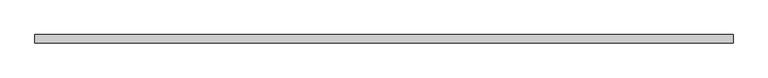
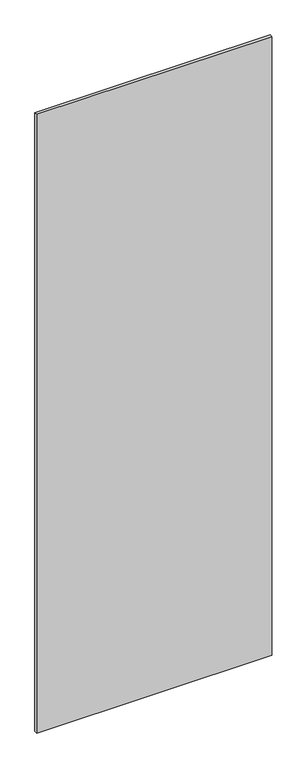
"""IFC4 building model written with IfcOpenShell, lengths in millimetres: plate geometry."""

from ifc_helpers import new_model, si_unit, origin, origin_with_axes, place, context, project, spatial, polyline, outline, extrude, source, transform, mapped, element, save


def plate_731f4368(model_context):
    return source(origin(), model_context, "Body", "SweptSolid", [
        extrude(outline(polyline([(533.4, -26.9875), (-533.4, -26.9875), (-533.4, -14.2875), (533.4, -14.2875), (533.4, -26.9875)])), origin_with_axes(), (0.0, 0.0, 1.0), 2965.45),
    ])


if __name__ == "__main__":
    model = new_model("IFC4")
    model_context = context("Model", 3, world=origin())
    ifc_project = project(units=[si_unit("LENGTHUNIT", "METRE", prefix="MILLI")], contexts=[model_context])
    site = spatial("IfcSite", under=ifc_project)
    building = spatial("IfcBuilding", under=site)
    placement = place(None, origin())
    plate_shape = plate_731f4368(model_context)
    element("IfcPlate", 1, at=placement, inside=building, context=model_context, shape_type="MappedRepresentation", body=[
        mapped(plate_shape, transform((0.0, 0.0, 0.0), x_axis=(1.0, 0.0, 0.0), y_axis=(0.0, 1.0, 0.0), z_axis=(0.0, 0.0, 1.0))),
    ])
    save(model, "model.ifc")
